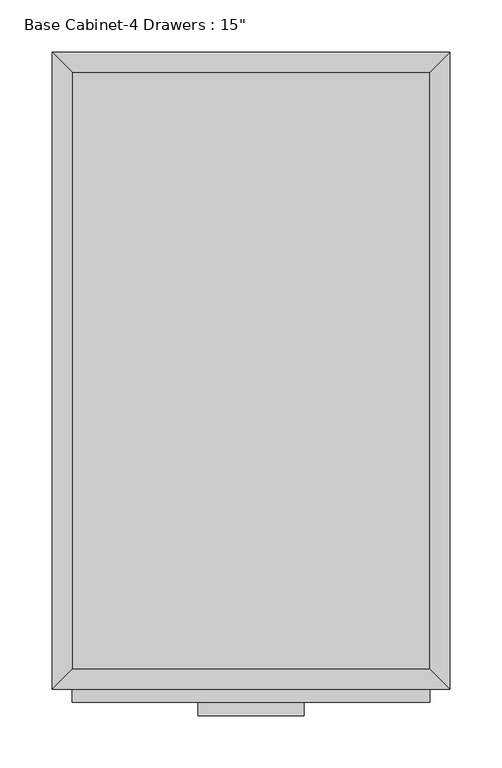
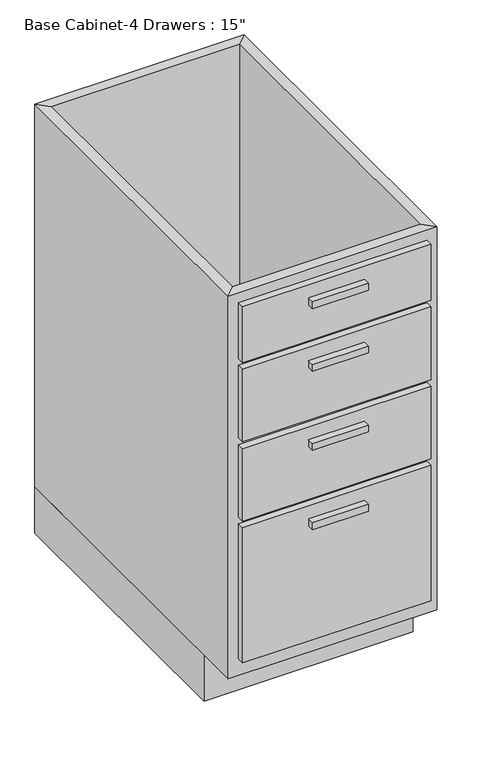
"""IFC4 building model written with IfcOpenShell, lengths in millimetres: furniture geometry."""

from ifc_helpers import new_model, si_unit, frame, origin, origin_with_axes, place, context, project, spatial, polyline, outline, extrude, faceted_brep, source, transform, mapped, element, save


def furniture_f430f818(model_context):
    return source(origin(), model_context, "Body", "SolidModel", [
        extrude(outline(polyline([(69.5377049, -635.0), (-32.0622951, -635.0), (-32.0622951, -622.3), (69.5377049, -622.3), (69.5377049, -635.0)])), frame((0.0, 0.0, 768.35), z_axis=(0.0, 0.0, 1.0), x_axis=(1.0, 0.0, 0.0)), (0.0, 0.0, 1.0), 12.7),
        extrude(outline(polyline([(69.5377049, -635.0), (-32.0622951, -635.0), (-32.0622951, -622.3), (69.5377049, -622.3), (69.5377049, -635.0)])), frame((0.0, 0.0, 647.7), z_axis=(0.0, 0.0, 1.0), x_axis=(1.0, 0.0, 0.0)), (0.0, 0.0, 1.0), 12.7),
        extrude(outline(polyline([(69.5377049, -635.0), (-32.0622951, -635.0), (-32.0622951, -622.3), (69.5377049, -622.3), (69.5377049, -635.0)])), frame((0.0, 0.0, 495.3), z_axis=(0.0, 0.0, 1.0), x_axis=(1.0, 0.0, 0.0)), (0.0, 0.0, 1.0), 12.7),
        extrude(outline(polyline([(69.5377049, -635.0), (-32.0622951, -635.0), (-32.0622951, -622.3), (69.5377049, -622.3), (69.5377049, -635.0)])), frame((0.0, 0.0, 342.9), z_axis=(0.0, 0.0, 1.0), x_axis=(1.0, 0.0, 0.0)), (0.0, 0.0, 1.0), 12.7),
        extrude(outline(polyline([(190.1877049, -622.3), (-152.7122951, -622.3), (-152.7122951, -609.6), (190.1877049, -609.6), (190.1877049, -622.3)])), frame((0.0, 0.0, 698.5), z_axis=(0.0, 0.0, 1.0), x_axis=(1.0, 0.0, 0.0)), (0.0, 0.0, 1.0), 107.95),
        extrude(outline(polyline([(190.1877049, -622.3), (-152.7122951, -622.3), (-152.7122951, -609.6), (190.1877049, -609.6), (190.1877049, -622.3)])), frame((0.0, 0.0, 546.1), z_axis=(0.0, 0.0, 1.0), x_axis=(1.0, 0.0, 0.0)), (0.0, 0.0, 1.0), 139.7),
        extrude(outline(polyline([(190.1877049, -622.3), (-152.7122951, -622.3), (-152.7122951, -609.6), (190.1877049, -609.6), (190.1877049, -622.3)])), frame((0.0, 0.0, 393.7), z_axis=(0.0, 0.0, 1.0), x_axis=(1.0, 0.0, 0.0)), (0.0, 0.0, 1.0), 139.7),
        extrude(outline(polyline([(190.1877049, -622.3), (-152.7122951, -622.3), (-152.7122951, -609.6), (190.1877049, -609.6), (190.1877049, -622.3)])), frame((0.0, 0.0, 120.65), z_axis=(0.0, 0.0, 1.0), x_axis=(1.0, 0.0, 0.0)), (0.0, 0.0, 1.0), 260.35),
        extrude(outline(polyline([(190.1877049, -19.05), (190.1877049, -590.55), (-152.7122951, -590.55), (-152.7122951, -19.05), (190.1877049, -19.05)])), frame((0.0, 0.0, 88.9), z_axis=(0.0, 0.0, 1.0), x_axis=(1.0, 0.0, 0.0)), (0.0, 0.0, 1.0), 19.05),
        faceted_brep([(190.1877049, -590.55, 825.5), (190.1877049, -590.55, 88.9), (-152.7122951, -590.55, 88.9), (-152.7122951, -590.55, 825.5), (209.2377049, -609.6, 825.5), (-171.7622951, -609.6, 825.5), (209.2377049, -609.6, 88.9), (-171.7622951, -609.6, 88.9), (-152.7122951, -19.05, 88.9), (-152.7122951, -19.05, 825.5), (-171.7622951, 0.0, 825.5), (-171.7622951, 0.0, 88.9), (190.1877049, -19.05, 88.9), (190.1877049, -19.05, 825.5), (209.2377049, 0.0, 825.5), (209.2377049, 0.0, 88.9)], [[[0, 1, 2, 3]], [[4, 0, 3, 5]], [[6, 4, 5, 7]], [[1, 6, 7, 2]], [[3, 2, 8, 9]], [[5, 3, 9, 10]], [[7, 5, 10, 11]], [[2, 7, 11, 8]], [[9, 8, 12, 13]], [[10, 9, 13, 14]], [[11, 10, 14, 15]], [[8, 11, 15, 12]], [[13, 12, 1, 0]], [[14, 13, 0, 4]], [[15, 14, 4, 6]], [[12, 15, 6, 1]]]),
        extrude(outline(polyline([(209.2377049, 0.0), (209.2377049, -533.4), (-171.7622951, -533.4), (-171.7622951, 0.0), (209.2377049, 0.0)])), origin_with_axes(), (0.0, 0.0, 1.0), 88.9),
    ])


if __name__ == "__main__":
    model = new_model("IFC4")
    model_context = context("Model", 3, world=origin())
    ifc_project = project(units=[si_unit("LENGTHUNIT", "METRE", prefix="MILLI")], contexts=[model_context])
    site = spatial("IfcSite", under=ifc_project)
    building = spatial("IfcBuilding", under=site)
    placement = place(None, origin())
    furniture_shape = furniture_f430f818(model_context)
    element("IfcFurniture", 1, ObjectType="Base Cabinet-4 Drawers : 15\"", at=placement, inside=building, context=model_context, shape_type="MappedRepresentation", body=[
        mapped(furniture_shape, transform((0.0, 0.0, 0.0), x_axis=(1.0, 0.0, 0.0), y_axis=(0.0, 1.0, 0.0), z_axis=(0.0, 0.0, 1.0))),
    ])
    save(model, "model.ifc")
